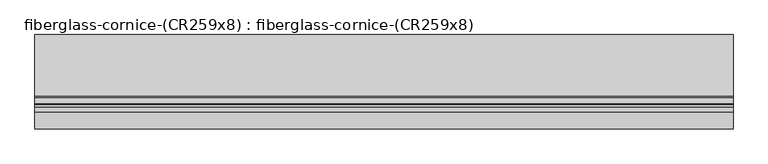
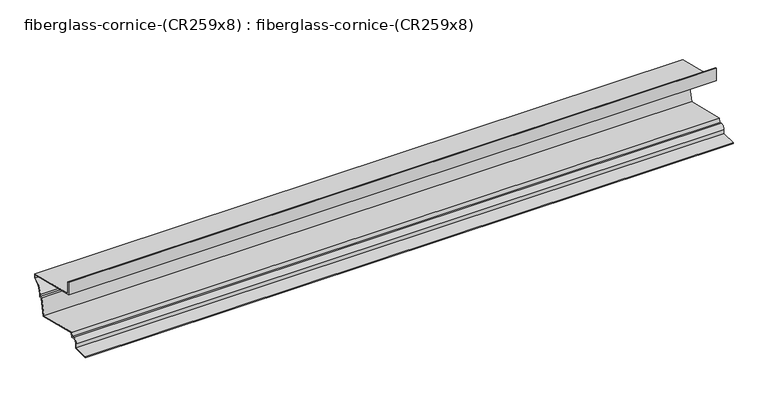
"""IFC4 building model written with IfcOpenShell, lengths in millimetres: furniture geometry, fiberglass-cornice-(CR259x8) : fiberglass-cornice-(CR259x8)."""

from ifc_helpers import new_model, si_unit, point, frame, frame_2d, origin, place, context, project, spatial, polyline, circle_curve, trimmed, segment, composite_curve, outline, extrude, source, transform, mapped, element, save


def fiberglass_cornice_cr259x8_fiberglass_cornice_cr259x8_bd1f4972(model_context):
    return source(origin(), model_context, "Body", "SweptSolid", [
        extrude(outline(composite_curve([segment(polyline([(289.5422903, 330.1999904), (289.5422903, 253.7104048), (645.5323408, 167.8901062), (645.5323408, 139.2704835)]), True, "CONTINUOUS"), segment(trimmed(circle_curve(frame_2d((686.3091118, 57.2906021)), 91.56116), [point((645.5323408, 139.2704835))], [point((595.0669706, 64.9272032))], True, "CARTESIAN"), True, "CONTINUOUS"), segment(polyline([(595.0669706, 64.9272032), (595.0669706, 45.9603526), (578.3016294, 45.9603526), (553.5572596, -56.6814421), (253.932114, 15.2521911), (247.3275857, -9.1337596), (228.332281, -4.0860563)]), True, "CONTINUOUS"), segment(trimmed(circle_curve(frame_2d((226.2124344, -23.8199545)), 19.8474303), [point((228.332281, -4.0860563))], [point((206.4257187, -22.2687052))], True, "CARTESIAN"), True, "CONTINUOUS"), segment(polyline([(206.4257187, -22.2687052), (206.4257187, -55.1143044), (101.6, -55.1143044), (101.6, -48.7643044), (200.0757187, -48.7643044), (200.0757187, -22.0374139)]), True, "CONTINUOUS"), segment(trimmed(circle_curve(frame_2d((226.2124344, -23.8199545)), 26.1974303), [point((200.0757187, -22.0374139))], [point((229.5262569, 2.167041))], False, "CARTESIAN"), True, "CONTINUOUS"), segment(polyline([(229.5262569, 2.167041), (242.8505092, -1.3736694), (249.4156714, 22.8669295), (548.8709007, -49.0259103), (573.3005395, 52.3103526), (588.7169706, 52.3103526), (588.7169706, 65.1880203)]), True, "CONTINUOUS"), segment(trimmed(circle_curve(frame_2d((686.3091118, 57.2906021)), 97.91116), [point((588.7169706, 65.1880203))], [point((639.1823408, 143.1140412))], False, "CARTESIAN"), True, "CONTINUOUS"), segment(polyline([(639.1823408, 143.1140412), (639.1823408, 162.8890163), (283.1922903, 248.7093148), (283.1922903, 330.1999904), (289.5422903, 330.1999904)]), True, "CONTINUOUS")], self_intersect=False)), frame((-2012.9498044, 0.0, 0.0), z_axis=(1.0, 0.0, 0.0), x_axis=(0.0, 1.0, 0.0)), (0.0, 0.0, 1.0), 4025.8996087),
    ])


if __name__ == "__main__":
    model = new_model("IFC4")
    model_context = context("Model", 3, world=origin())
    ifc_project = project(units=[si_unit("LENGTHUNIT", "METRE", prefix="MILLI")], contexts=[model_context])
    site = spatial("IfcSite", under=ifc_project)
    building = spatial("IfcBuilding", under=site)
    placement = place(None, origin())
    fiberglass_cornice_cr259x8_fiberglass_cornice_cr259x8_shape = fiberglass_cornice_cr259x8_fiberglass_cornice_cr259x8_bd1f4972(model_context)
    element("IfcFurniture", 1, ObjectType="fiberglass-cornice-(CR259x8) : fiberglass-cornice-(CR259x8)", at=placement, inside=building, context=model_context, shape_type="MappedRepresentation", body=[
        mapped(fiberglass_cornice_cr259x8_fiberglass_cornice_cr259x8_shape, transform((0.0, 0.0, 0.0), x_axis=(1.0, 0.0, 0.0), y_axis=(0.0, 1.0, 0.0), z_axis=(0.0, 0.0, 1.0))),
    ])
    save(model, "model.ifc")
